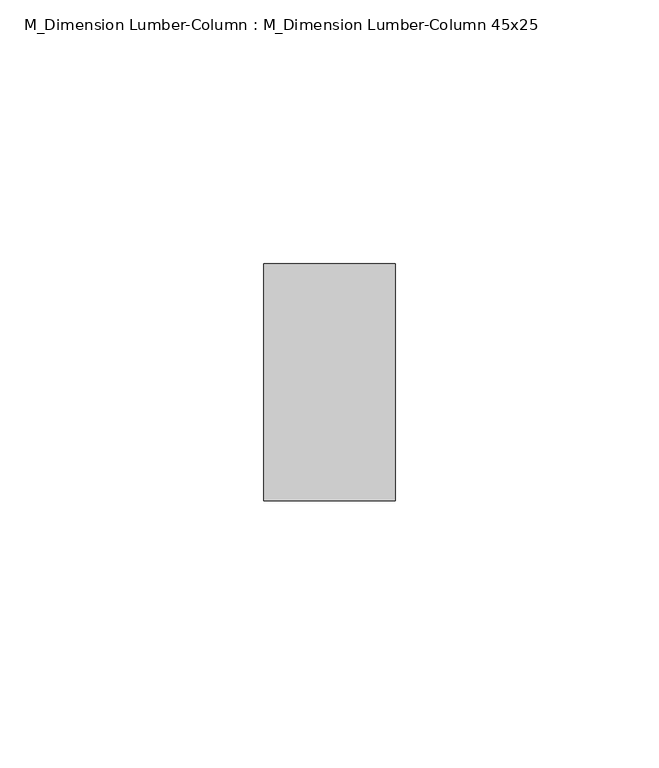
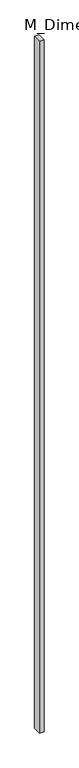
"""IFC4 building model written with IfcOpenShell, lengths in millimetres: column geometry, M_Dimension Lumber-Column : M_Dimension Lumber-Column 45x25."""

from ifc_helpers import new_model, si_unit, origin, origin_with_axes, place, context, project, spatial, polyline, outline, extrude, source, transform, mapped, element, save


def m_dimension_lumber_column_m_dimension_lumber_column_45x25_86c470bb(model_context):
    return source(origin(), model_context, "Body", "SweptSolid", [
        extrude(outline(polyline([(12.5, 22.5), (12.5, -22.5), (-12.5, -22.5), (-12.5, 22.5), (12.5, 22.5)])), origin_with_axes(), (0.0, 0.0, 1.0), 4000.0),
    ])


if __name__ == "__main__":
    model = new_model("IFC4")
    model_context = context("Model", 3, world=origin())
    ifc_project = project(units=[si_unit("LENGTHUNIT", "METRE", prefix="MILLI")], contexts=[model_context])
    site = spatial("IfcSite", under=ifc_project)
    building = spatial("IfcBuilding", under=site)
    placement = place(None, origin())
    m_dimension_lumber_column_m_dimension_lumber_column_45x25_shape = m_dimension_lumber_column_m_dimension_lumber_column_45x25_86c470bb(model_context)
    element("IfcColumn", 1, ObjectType="M_Dimension Lumber-Column : M_Dimension Lumber-Column 45x25", at=placement, inside=building, context=model_context, shape_type="MappedRepresentation", body=[
        mapped(m_dimension_lumber_column_m_dimension_lumber_column_45x25_shape, transform((0.0, 0.0, 0.0), x_axis=(1.0, 0.0, 0.0), y_axis=(0.0, 1.0, 0.0), z_axis=(0.0, 0.0, 1.0))),
    ])
    save(model, "model.ifc")
